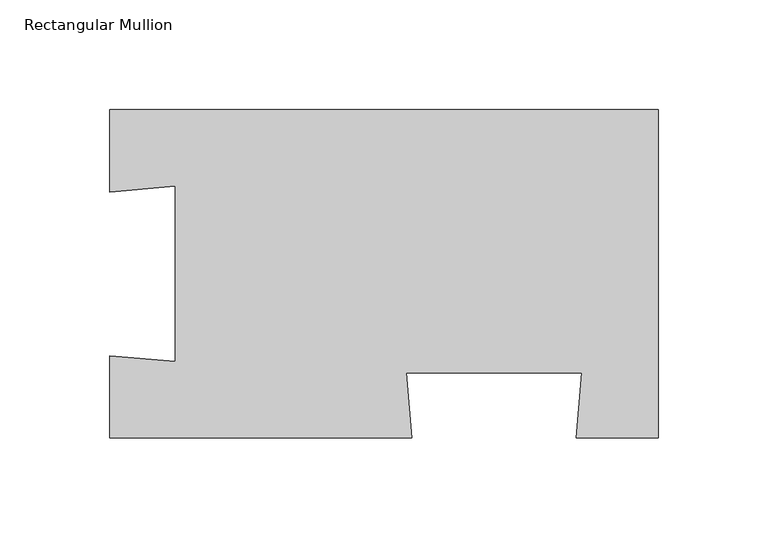
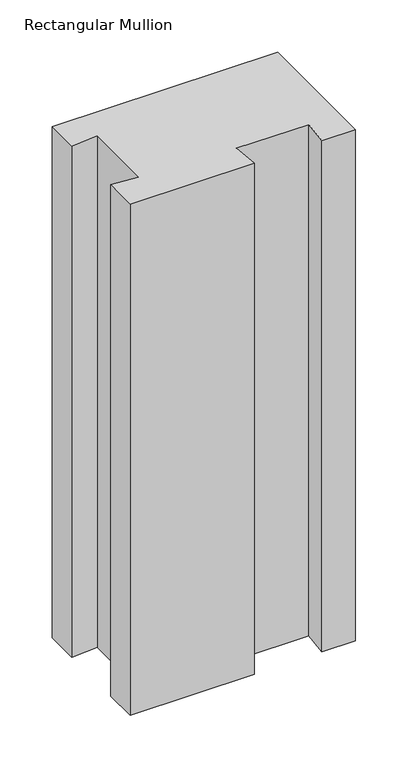
"""IFC4 building model written with IfcOpenShell, lengths in millimetres: member geometry, Rectangular Mullion."""

from ifc_helpers import new_model, si_unit, frame, origin, place, context, project, spatial, polyline, outline, extrude, source, transform, mapped, element, save


def rectangular_mullion_595a8c56(model_context):
    return source(origin(), model_context, "Body", "SweptSolid", [
        extrude(outline(polyline([(-37.4814094, -74.8456117), (-34.8890328, -45.2146108), (-114.8890328, -45.2146108), (-112.2966561, -74.8456117), (-250.0, -74.8456117), (-250.0, -37.3786672), (-220.1141591, -39.9933394), (-220.1141591, 39.970903), (-250.0, 37.3562308), (-250.0, 74.8995482), (0.0, 74.8995482), (0.0, -74.8456117), (-37.4814094, -74.8456117)])), frame((0.0, 0.0, -600.0), z_axis=(0.0, 0.0, 1.0), x_axis=(1.0, 0.0, 0.0)), (0.0, 0.0, 1.0), 600.0),
    ])


if __name__ == "__main__":
    model = new_model("IFC4")
    model_context = context("Model", 3, world=origin())
    ifc_project = project(units=[si_unit("LENGTHUNIT", "METRE", prefix="MILLI")], contexts=[model_context])
    site = spatial("IfcSite", under=ifc_project)
    building = spatial("IfcBuilding", under=site)
    placement = place(None, origin())
    rectangular_mullion_shape = rectangular_mullion_595a8c56(model_context)
    element("IfcMember", 1, ObjectType="Rectangular Mullion", at=placement, inside=building, context=model_context, shape_type="MappedRepresentation", body=[
        mapped(rectangular_mullion_shape, transform((0.0, 0.0, 0.0), x_axis=(1.0, 0.0, 0.0), y_axis=(0.0, 1.0, 0.0), z_axis=(0.0, 0.0, 1.0))),
    ])
    save(model, "model.ifc")
